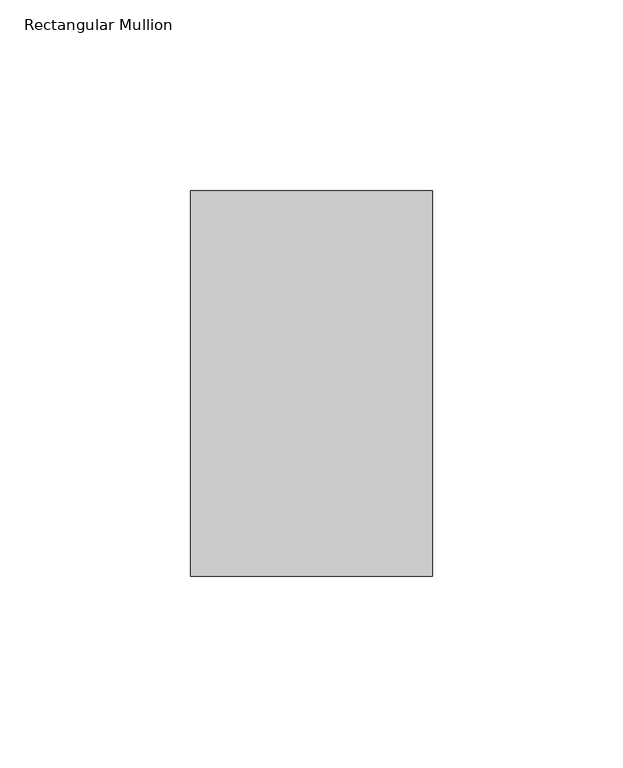
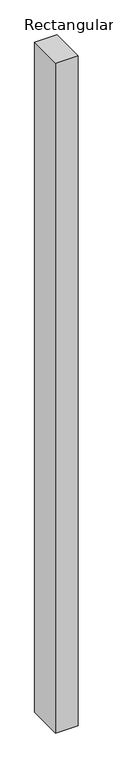
"""IFC4 building model written with IfcOpenShell, lengths in millimetres: member geometry, Rectangular Mullion."""

from ifc_helpers import new_model, si_unit, frame, origin, place, context, project, spatial, polyline, outline, extrude, source, transform, mapped, element, save


def rectangular_mullion_f777038f(model_context):
    return source(origin(), model_context, "Body", "SweptSolid", [
        extrude(outline(polyline([(-31.75, 152.4896938), (31.75, 152.4896938), (31.75, 51.2960938), (-31.75, 51.2960938), (-31.75, 152.4896938)])), frame((0.0, 0.0, -1993.9000001), z_axis=(0.0, 0.0, 1.0), x_axis=(1.0, 0.0, 0.0)), (0.0, 0.0, 1.0), 1993.9000001),
    ])


if __name__ == "__main__":
    model = new_model("IFC4")
    model_context = context("Model", 3, world=origin())
    ifc_project = project(units=[si_unit("LENGTHUNIT", "METRE", prefix="MILLI")], contexts=[model_context])
    site = spatial("IfcSite", under=ifc_project)
    building = spatial("IfcBuilding", under=site)
    placement = place(None, origin())
    rectangular_mullion_shape = rectangular_mullion_f777038f(model_context)
    element("IfcMember", 1, ObjectType="Rectangular Mullion", at=placement, inside=building, context=model_context, shape_type="MappedRepresentation", body=[
        mapped(rectangular_mullion_shape, transform((0.0, 0.0, 0.0), x_axis=(1.0, 0.0, 0.0), y_axis=(0.0, 1.0, 0.0), z_axis=(0.0, 0.0, 1.0))),
    ])
    save(model, "model.ifc")
